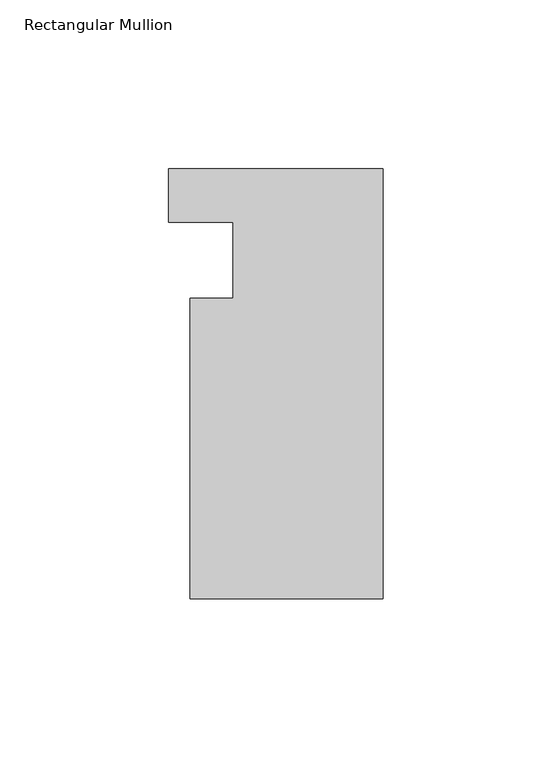
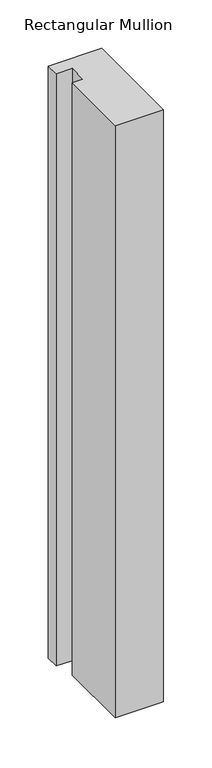
"""IFC4 building model written with IfcOpenShell, lengths in millimetres: member geometry, Rectangular Mullion."""

from ifc_helpers import new_model, si_unit, frame, origin, place, context, project, spatial, polyline, outline, extrude, source, transform, mapped, element, save


def rectangular_mullion_a2172366(model_context):
    return source(origin(), model_context, "Body", "SweptSolid", [
        extrude(outline(polyline([(-57.15, -37.9870311), (-44.45, -37.9870311), (-44.45, -15.5344812), (-63.5, -15.5344812), (-63.5, 0.3151188), (0.0, 0.3151187), (0.0, -126.9134813), (-57.15, -126.9134813), (-57.15, -37.9870311)])), frame((0.0, 0.0, -746.2855689), z_axis=(0.0, 0.0, 1.0), x_axis=(1.0, 0.0, 0.0)), (0.0, 0.0, 1.0), 746.2855689),
    ])


if __name__ == "__main__":
    model = new_model("IFC4")
    model_context = context("Model", 3, world=origin())
    ifc_project = project(units=[si_unit("LENGTHUNIT", "METRE", prefix="MILLI")], contexts=[model_context])
    site = spatial("IfcSite", under=ifc_project)
    building = spatial("IfcBuilding", under=site)
    placement = place(None, origin())
    rectangular_mullion_shape = rectangular_mullion_a2172366(model_context)
    element("IfcMember", 1, ObjectType="Rectangular Mullion", at=placement, inside=building, context=model_context, shape_type="MappedRepresentation", body=[
        mapped(rectangular_mullion_shape, transform((0.0, 0.0, 0.0), x_axis=(1.0, 0.0, 0.0), y_axis=(0.0, 1.0, 0.0), z_axis=(0.0, 0.0, 1.0))),
    ])
    save(model, "model.ifc")
